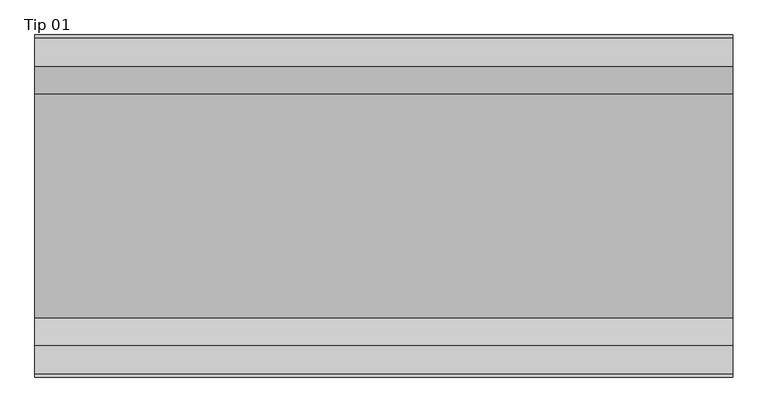
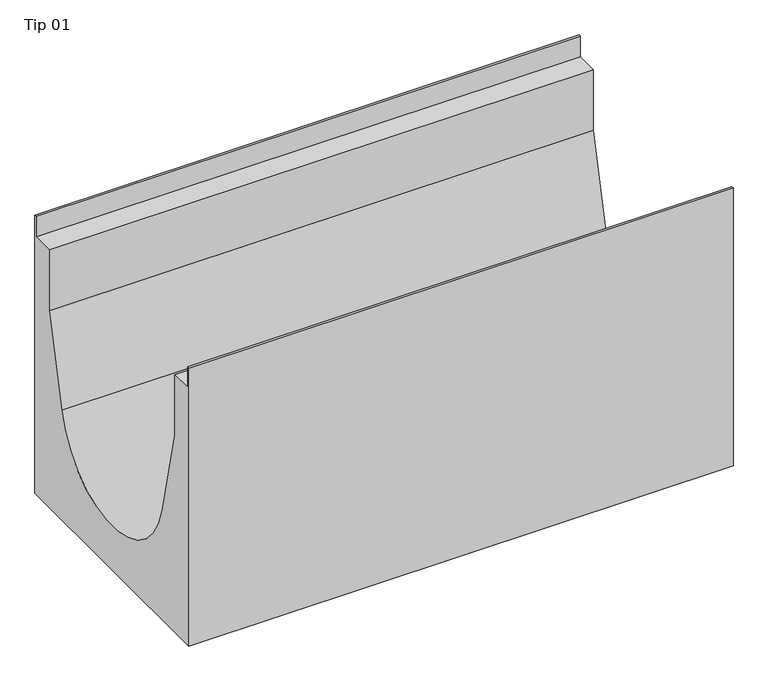
"""IFC4 building model written with IfcOpenShell, lengths in millimetres: proxy geometry, Tip 01."""

from ifc_helpers import new_model, si_unit, point, frame, frame_2d, origin, place, context, project, spatial, polyline, circle_curve, trimmed, segment, composite_curve, outline, extrude, source, transform, mapped, element, save


def tip_01_4d56376b(model_context):
    return source(origin(), model_context, "Body", "SweptSolid", [
        extrude(outline(composite_curve([segment(polyline([(-245.0, -540.0), (-245.0, 0.0), (-241.0, 0.0), (-241.0, -40.0), (-200.0, -40.0), (-200.0, -158.1360949), (-160.1558024, -328.0548793)]), True, "CONTINUOUS"), segment(trimmed(circle_curve(frame_2d((0.0, -290.5)), 164.5), [point((-160.1558024, -328.0548793))], [point((160.1558024, -328.0548793))], True, "CARTESIAN"), True, "CONTINUOUS"), segment(polyline([(160.1558024, -328.0548793), (200.0, -158.1360949), (200.0, -40.0), (241.0, -40.0), (241.0, 0.0), (245.0, 0.0), (245.0, -540.0), (-245.0, -540.0)]), True, "CONTINUOUS")], self_intersect=False)), frame((0.0, 0.0, 0.0), z_axis=(1.0, 0.0, 0.0), x_axis=(0.0, 1.0, 0.0)), (0.0, 0.0, 1.0), 1000.0),
    ])


if __name__ == "__main__":
    model = new_model("IFC4")
    model_context = context("Model", 3, world=origin())
    ifc_project = project(units=[si_unit("LENGTHUNIT", "METRE", prefix="MILLI")], contexts=[model_context])
    site = spatial("IfcSite", under=ifc_project)
    building = spatial("IfcBuilding", under=site)
    placement = place(None, origin())
    tip_01_shape = tip_01_4d56376b(model_context)
    element("IfcBuildingElementProxy", 1, Name="Tip 01", ObjectType="Tip 01", at=placement, inside=building, context=model_context, shape_type="MappedRepresentation", body=[
        mapped(tip_01_shape, transform((0.0, 0.0, 0.0), x_axis=(1.0, 0.0, 0.0), y_axis=(0.0, 1.0, 0.0), z_axis=(0.0, 0.0, 1.0))),
    ])
    save(model, "model.ifc")
